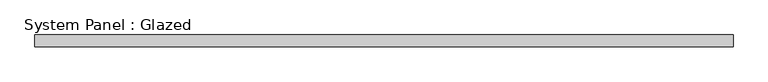
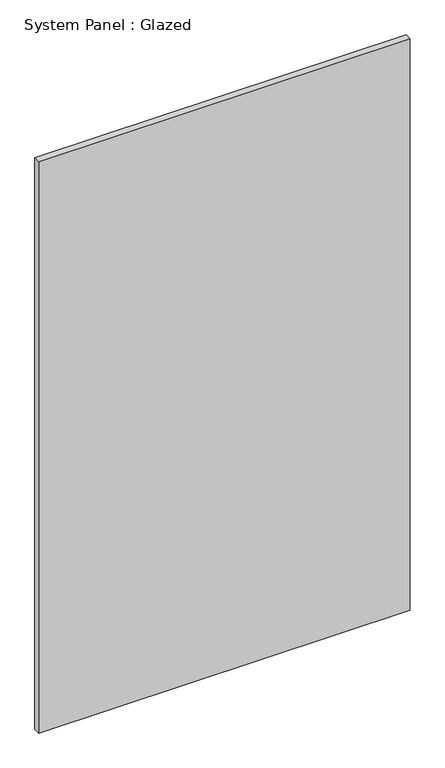
"""IFC4 building model written with IfcOpenShell, lengths in millimetres: plate geometry, System Panel : Glazed."""

from ifc_helpers import new_model, si_unit, origin, origin_with_axes, place, context, project, spatial, polyline, outline, extrude, source, transform, mapped, element, save


def system_panel_glazed_ffa25388(model_context):
    return source(origin(), model_context, "Body", "SweptSolid", [
        extrude(outline(polyline([(750.0, 19.05), (-750.0, 19.05), (-750.0, 44.45), (750.0, 44.45), (750.0, 19.05)])), origin_with_axes(), (0.0, 0.0, 1.0), 2438.4),
    ])


if __name__ == "__main__":
    model = new_model("IFC4")
    model_context = context("Model", 3, world=origin())
    ifc_project = project(units=[si_unit("LENGTHUNIT", "METRE", prefix="MILLI")], contexts=[model_context])
    site = spatial("IfcSite", under=ifc_project)
    building = spatial("IfcBuilding", under=site)
    placement = place(None, origin())
    system_panel_glazed_shape = system_panel_glazed_ffa25388(model_context)
    element("IfcPlate", 1, ObjectType="System Panel : Glazed", at=placement, inside=building, context=model_context, shape_type="MappedRepresentation", body=[
        mapped(system_panel_glazed_shape, transform((0.0, 0.0, 0.0), x_axis=(1.0, 0.0, 0.0), y_axis=(0.0, 1.0, 0.0), z_axis=(0.0, 0.0, 1.0))),
    ])
    save(model, "model.ifc")
